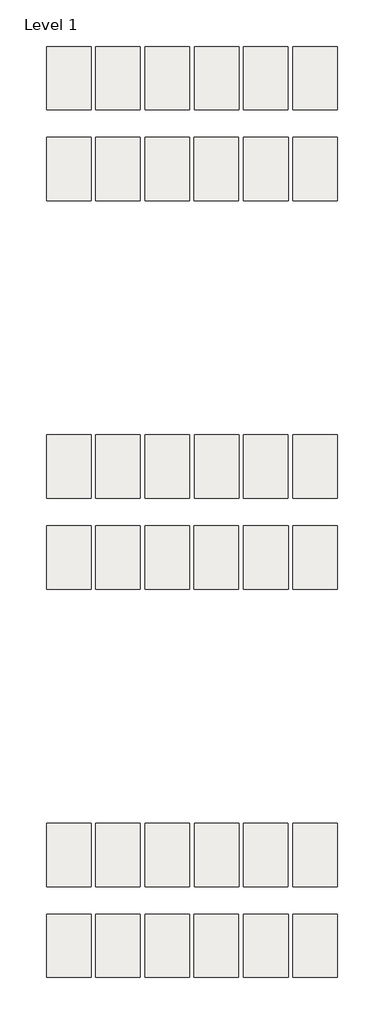
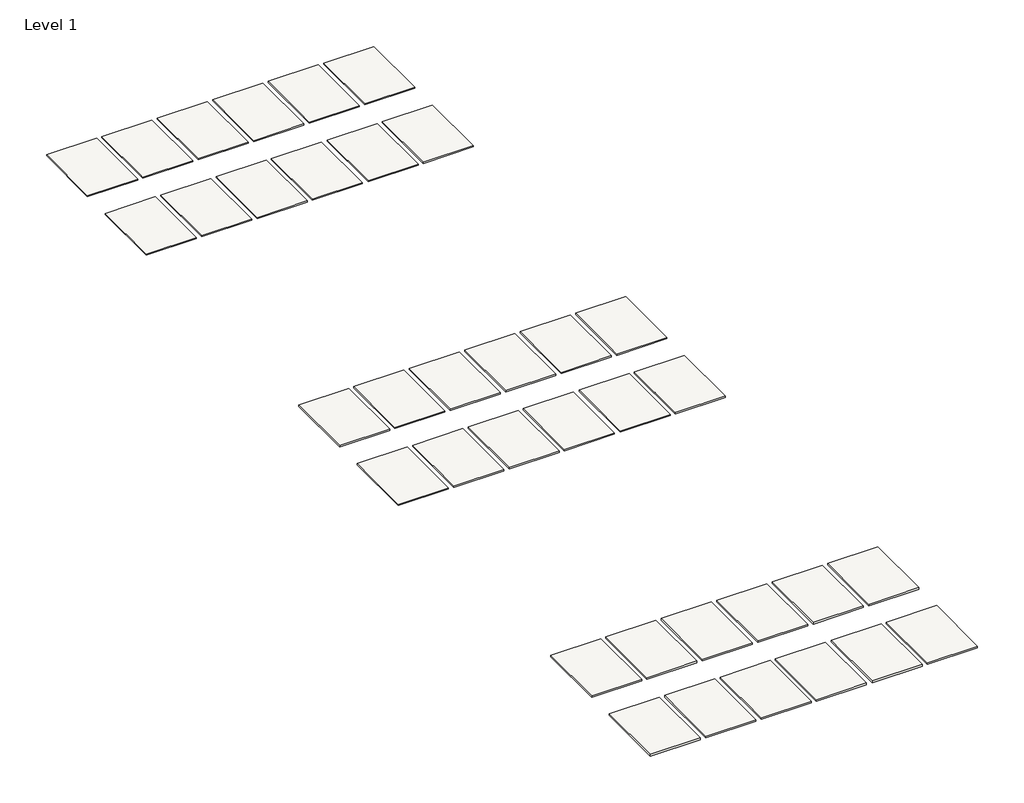
# One storey: 36 slabs.
"""IFC4 building model written with IfcOpenShell, lengths in millimetres."""

import ifcopenshell
import ifcopenshell.guid

model = None  # the IFC model being written
_history = None  # IfcOwnerHistory: only IFC2X3 demands one
_inside = {}  # id of a spatial element -> (the spatial element, [elements in it])
_under = {}  # id of a project, library or spatial element -> (it, [spatial elements below it])
_declared = {}  # id of a project -> (the project, [libraries it declares])
_typed = {}  # id of a type object -> (the type object, [elements of that type])
_made_of = {}  # id of a material, layer set ... -> (it, [elements and type objects made of it])


def new_model(schema):
    """Start an empty IFC model of exactly this schema.

    Asked for "IFC4X3", IfcOpenShell would pick the latest addendum, in which some entities
    have other attributes; the version numbers below select the first issue.
    IFC2X3 requires an IfcOwnerHistory on every rooted entity: one is made here for all.
    """
    global model, _history
    if schema == "IFC4X3":
        model = ifcopenshell.file(schema_version=(4, 3, 0, 0))
    else:
        model = ifcopenshell.file(schema=schema)
    _inside.clear()
    _under.clear()
    _declared.clear()
    _typed.clear()
    _made_of.clear()
    _history = None
    if model.schema == "IFC2X3":
        org = make("IfcOrganization", Name="unknown")
        user = make(
            "IfcPersonAndOrganization",
            ThePerson=make("IfcPerson", FamilyName="unknown"),
            TheOrganization=org,
        )
        app = make(
            "IfcApplication",
            ApplicationDeveloper=org,
            Version="unknown",
            ApplicationFullName="unknown",
            ApplicationIdentifier="unknown",
        )
        _history = make(
            "IfcOwnerHistory",
            OwningUser=user,
            OwningApplication=app,
            ChangeAction="ADDED",
            CreationDate=0,
        )
    return model


def make(cls, **values):
    """One entity of the class cls with the attributes given. An attribute that is None is left unset."""
    return model.create_entity(
        cls, **{name: value for name, value in values.items() if value is not None}
    )


def rooted(cls, **values):
    """An entity with a GlobalId (a new one), such as an element, a storey or a relation."""
    return make(cls, GlobalId=ifcopenshell.guid.new(), OwnerHistory=_history, **values)


def si_unit(unit_type, name, prefix=None):
    """IfcSIUnit, for example si_unit("LENGTHUNIT", "METRE", prefix="MILLI")."""
    return make("IfcSIUnit", UnitType=unit_type, Prefix=prefix, Name=name)


def assignment(units):
    """IfcUnitAssignment: the units of a project."""
    return None if units is None else make("IfcUnitAssignment", Units=units)


def point(xyz):
    """IfcCartesianPoint."""
    return None if xyz is None else make("IfcCartesianPoint", Coordinates=xyz)


def direction(xyz):
    """IfcDirection."""
    return None if xyz is None else make("IfcDirection", DirectionRatios=xyz)


def frame(location, z_axis=None, x_axis=None):
    """IfcAxis2Placement3D, a coordinate frame: its origin and axes. An axis left out is left unset."""
    return make(
        "IfcAxis2Placement3D",
        Location=point(location),
        Axis=direction(z_axis),
        RefDirection=direction(x_axis),
    )


def origin():
    """The frame at (0, 0, 0) with its axes left unset."""
    return frame((0.0, 0.0, 0.0))


def place(relative_to, where):
    """IfcLocalPlacement: puts the frame where relative to a parent placement (None: the world)."""
    return make(
        "IfcLocalPlacement", PlacementRelTo=relative_to, RelativePlacement=where
    )


def context(
    kind, dimensions, precision=None, world=None, true_north=None, identifier=None
):
    """IfcGeometricRepresentationContext, for example the 3D "Model" context."""
    return make(
        "IfcGeometricRepresentationContext",
        ContextIdentifier=identifier,
        ContextType=kind,
        CoordinateSpaceDimension=dimensions,
        Precision=precision,
        WorldCoordinateSystem=world,
        TrueNorth=true_north,
    )


def project(units=None, contexts=None):
    """IfcProject with its units and contexts."""
    return rooted(
        "IfcProject",
        Name="project",
        RepresentationContexts=contexts,
        UnitsInContext=assignment(units),
    )


def spatial(cls, under=None, at=None, **own):
    """A site, building, storey or space (cls), placed at a placement, below another one or the project."""
    s = rooted(cls, ObjectPlacement=at, **own)
    if under is not None:
        _under.setdefault(under.id(), (under, []))[1].append(s)
    return s


def polyline(points):
    """IfcPolyline through the points."""
    return make("IfcPolyline", Points=[point(p) for p in points])


def outline(outer, holes=None, kind="AREA"):
    """IfcArbitraryClosedProfileDef: a profile drawn as a closed curve; with holes, ...WithVoids."""
    if holes is None:
        return make("IfcArbitraryClosedProfileDef", ProfileType=kind, OuterCurve=outer)
    return make(
        "IfcArbitraryProfileDefWithVoids",
        ProfileType=kind,
        OuterCurve=outer,
        InnerCurves=holes,
    )


def extrude(swept, where, along, depth):
    """IfcExtrudedAreaSolid: the profile swept, set in the frame where, extruded along a direction by depth."""
    return make(
        "IfcExtrudedAreaSolid",
        SweptArea=swept,
        Position=where,
        ExtrudedDirection=direction(along),
        Depth=depth,
    )


def shape(context_of_items, identifier, shape_type, items):
    """IfcShapeRepresentation: the items that make up one representation, for example the "Body"."""
    return make(
        "IfcShapeRepresentation",
        ContextOfItems=context_of_items,
        RepresentationIdentifier=identifier,
        RepresentationType=shape_type,
        Items=items,
    )


def made_of(thing, what):
    """Note that an element or type object is made of a material, layer set ...; save() writes the relation."""
    if what is not None:
        _made_of.setdefault(what.id(), (what, []))[1].append(thing)
    return thing


def element(
    cls,
    number,
    at=None,
    inside=None,
    cuts=None,
    type_object=None,
    material=None,
    context=None,
    identifier="Body",
    shape_type=None,
    held_by="IfcProductDefinitionShape",
    body=None,
    shapes=None,
    **own,
):
    """One element of the class cls, such as IfcWall. Its Tag is "e" and its number.

    at: its placement. inside: the storey or other place that contains it. cuts: it is an
    opening in that element (IfcRelVoidsElement). A single representation is given by context,
    identifier, shape_type and body (its items); several are given by shapes. held_by: the class
    of the entity that holds the representations. save() writes the other relations.
    """
    e = rooted(cls, Tag="e%d" % number, ObjectPlacement=at, **own)
    if body is not None:
        shapes = [shape(context, identifier, shape_type, body)]
    if shapes is not None:
        e.Representation = make(held_by, Representations=shapes)
    if inside is not None:
        _inside.setdefault(inside.id(), (inside, []))[1].append(e)
    if cuts is not None:
        rooted(
            "IfcRelVoidsElement", RelatingBuildingElement=cuts, RelatedOpeningElement=e
        )
    if type_object is not None:
        _typed.setdefault(type_object.id(), (type_object, []))[1].append(e)
    return made_of(e, material)


def aggregate(whole, parts):
    """IfcRelAggregates: a whole, such as a stair, and the parts it consists of."""
    return rooted("IfcRelAggregates", RelatingObject=whole, RelatedObjects=parts)


def save(model, path):
    """Write the relations noted so far, then the file.

    IfcRelAggregates (storeys below a building ...), IfcRelContainedInSpatialStructure (elements
    in a storey), IfcRelDefinesByType, IfcRelAssociatesMaterial and IfcRelDeclares: one each for
    every whole, place, type object, material and project.
    """
    for whole, parts in _under.values():
        aggregate(whole, parts)
    for where, things in _inside.values():
        rooted(
            "IfcRelContainedInSpatialStructure",
            RelatedElements=things,
            RelatingStructure=where,
        )
    for kind, things in _typed.values():
        rooted("IfcRelDefinesByType", RelatedObjects=things, RelatingType=kind)
    for what, things in _made_of.values():
        rooted("IfcRelAssociatesMaterial", RelatedObjects=things, RelatingMaterial=what)
    for by, libraries in _declared.values():
        rooted("IfcRelDeclares", RelatingContext=by, RelatedDefinitions=libraries)
    model.write(path)


model = new_model("IFC4")

# Units and contexts
model_context = context("Model", 3, world=origin())
ifc_project = project(units=[si_unit("LENGTHUNIT", "METRE", prefix="MILLI")], contexts=[model_context])

# Site, building, storey
site = spatial("IfcSite", under=ifc_project)
building = spatial("IfcBuilding", under=site)
storey = spatial("IfcBuildingStorey", under=building, Name="Level 1", Elevation=0.0)

# Slabs
placement = place(None, origin())
element("IfcSlab", 1, at=placement, inside=storey, context=model_context, shape_type="SweptSolid", body=[
    extrude(outline(polyline([(-12402.3849329, 3938.5124735), (-12402.3849329, 3443.2124735), (-12751.6349329, 3443.2124735), (-12751.6349329, 3938.5124735), (-12402.3849329, 3938.5124735)])), frame((0.0, 0.0, -8.0367188), z_axis=(0.0, 0.0, 1.0), x_axis=(1.0, 0.0, 0.0)), (0.0, 0.0, 1.0), 8.0367188),
])
element("IfcSlab", 2, at=placement, inside=storey, context=model_context, shape_type="SweptSolid", body=[
    extrude(outline(polyline([(-12016.6224329, 3938.5124735), (-12016.6224329, 3443.2124735), (-12365.8724329, 3443.2124735), (-12365.8724329, 3938.5124735), (-12016.6224329, 3938.5124735)])), frame((0.0, 0.0, -8.0367188), z_axis=(0.0, 0.0, 1.0), x_axis=(1.0, 0.0, 0.0)), (0.0, 0.0, 1.0), 8.0367188),
])
element("IfcSlab", 3, at=placement, inside=storey, context=model_context, shape_type="SweptSolid", body=[
    extrude(outline(polyline([(-11629.2724329, 3938.5124735), (-11629.2724329, 3443.2124735), (-11978.5224329, 3443.2124735), (-11978.5224329, 3938.5124735), (-11629.2724329, 3938.5124735)])), frame((0.0, 0.0, -8.0367188), z_axis=(0.0, 0.0, 1.0), x_axis=(1.0, 0.0, 0.0)), (0.0, 0.0, 1.0), 8.0367188),
])
element("IfcSlab", 4, at=placement, inside=storey, context=model_context, shape_type="SweptSolid", body=[
    extrude(outline(polyline([(-11241.9224329, 3938.5124735), (-11241.9224329, 3443.2124735), (-11591.1724329, 3443.2124735), (-11591.1724329, 3938.5124735), (-11241.9224329, 3938.5124735)])), frame((0.0, 0.0, -8.0367188), z_axis=(0.0, 0.0, 1.0), x_axis=(1.0, 0.0, 0.0)), (0.0, 0.0, 1.0), 8.0367188),
])
element("IfcSlab", 5, at=placement, inside=storey, context=model_context, shape_type="SweptSolid", body=[
    extrude(outline(polyline([(-10854.5724329, 3938.5124735), (-10854.5724329, 3443.2124735), (-11203.8224329, 3443.2124735), (-11203.8224329, 3938.5124735), (-10854.5724329, 3938.5124735)])), frame((0.0, 0.0, -8.0367188), z_axis=(0.0, 0.0, 1.0), x_axis=(1.0, 0.0, 0.0)), (0.0, 0.0, 1.0), 8.0367188),
])
element("IfcSlab", 6, at=placement, inside=storey, context=model_context, shape_type="SweptSolid", body=[
    extrude(outline(polyline([(-10467.2224329, 3938.5124735), (-10467.2224329, 3443.2124735), (-10816.4724329, 3443.2124735), (-10816.4724329, 3938.5124735), (-10467.2224329, 3938.5124735)])), frame((0.0, 0.0, -8.0367188), z_axis=(0.0, 0.0, 1.0), x_axis=(1.0, 0.0, 0.0)), (0.0, 0.0, 1.0), 8.0367188),
])
element("IfcSlab", 7, at=placement, inside=storey, context=model_context, shape_type="SweptSolid", body=[
    extrude(outline(polyline([(-12403.8458024, 3225.0187541), (-12403.8458024, 2729.7187541), (-12753.0958024, 2729.7187541), (-12753.0958024, 3225.0187541), (-12403.8458024, 3225.0187541)])), frame((0.0, 0.0, -8.0367188), z_axis=(0.0, 0.0, 1.0), x_axis=(1.0, 0.0, 0.0)), (0.0, 0.0, 1.0), 8.0367188),
])
element("IfcSlab", 8, at=placement, inside=storey, context=model_context, shape_type="SweptSolid", body=[
    extrude(outline(polyline([(-12016.4958024, 3225.0187541), (-12016.4958024, 2729.7187541), (-12365.7458024, 2729.7187541), (-12365.7458024, 3225.0187541), (-12016.4958024, 3225.0187541)])), frame((0.0, 0.0, -8.0367188), z_axis=(0.0, 0.0, 1.0), x_axis=(1.0, 0.0, 0.0)), (0.0, 0.0, 1.0), 8.0367188),
])
element("IfcSlab", 9, at=placement, inside=storey, context=model_context, shape_type="SweptSolid", body=[
    extrude(outline(polyline([(-11629.1458024, 3225.0187541), (-11629.1458024, 2729.7187541), (-11978.3958024, 2729.7187541), (-11978.3958024, 3225.0187541), (-11629.1458024, 3225.0187541)])), frame((0.0, 0.0, -8.0367188), z_axis=(0.0, 0.0, 1.0), x_axis=(1.0, 0.0, 0.0)), (0.0, 0.0, 1.0), 8.0367188),
])
element("IfcSlab", 10, at=placement, inside=storey, context=model_context, shape_type="SweptSolid", body=[
    extrude(outline(polyline([(-11244.9708024, 3225.0187541), (-11244.9708024, 2729.7187541), (-11594.2208024, 2729.7187541), (-11594.2208024, 3225.0187541), (-11244.9708024, 3225.0187541)])), frame((0.0, 0.0, -8.0367188), z_axis=(0.0, 0.0, 1.0), x_axis=(1.0, 0.0, 0.0)), (0.0, 0.0, 1.0), 8.0367188),
])
element("IfcSlab", 11, at=placement, inside=storey, context=model_context, shape_type="SweptSolid", body=[
    extrude(outline(polyline([(-10854.4458024, 3225.0187541), (-10854.4458024, 2729.7187541), (-11203.6958024, 2729.7187541), (-11203.6958024, 3225.0187541), (-10854.4458024, 3225.0187541)])), frame((0.0, 0.0, -8.0367188), z_axis=(0.0, 0.0, 1.0), x_axis=(1.0, 0.0, 0.0)), (0.0, 0.0, 1.0), 8.0367188),
])
element("IfcSlab", 12, at=placement, inside=storey, context=model_context, shape_type="SweptSolid", body=[
    extrude(outline(polyline([(-10468.6833024, 3225.0187541), (-10468.6833024, 2729.7187541), (-10817.9333024, 2729.7187541), (-10817.9333024, 3225.0187541), (-10468.6833024, 3225.0187541)])), frame((0.0, 0.0, -8.0367188), z_axis=(0.0, 0.0, 1.0), x_axis=(1.0, 0.0, 0.0)), (0.0, 0.0, 1.0), 8.0367188),
])
element("IfcSlab", 13, at=placement, inside=storey, context=model_context, shape_type="SweptSolid", body=[
    extrude(outline(polyline([(-12402.3849329, 890.5124735), (-12402.3849329, 395.2124735), (-12751.6349329, 395.2124735), (-12751.6349329, 890.5124735), (-12402.3849329, 890.5124735)])), frame((0.0, 0.0, -10.0210938), z_axis=(0.0, 0.0, 1.0), x_axis=(1.0, 0.0, 0.0)), (0.0, 0.0, 1.0), 10.0210938),
])
element("IfcSlab", 14, at=placement, inside=storey, context=model_context, shape_type="SweptSolid", body=[
    extrude(outline(polyline([(-12016.6224329, 890.5124735), (-12016.6224329, 395.2124735), (-12365.8724329, 395.2124735), (-12365.8724329, 890.5124735), (-12016.6224329, 890.5124735)])), frame((0.0, 0.0, -10.0210938), z_axis=(0.0, 0.0, 1.0), x_axis=(1.0, 0.0, 0.0)), (0.0, 0.0, 1.0), 10.0210938),
])
element("IfcSlab", 15, at=placement, inside=storey, context=model_context, shape_type="SweptSolid", body=[
    extrude(outline(polyline([(-11629.2724329, 890.5124735), (-11629.2724329, 395.2124735), (-11978.5224329, 395.2124735), (-11978.5224329, 890.5124735), (-11629.2724329, 890.5124735)])), frame((0.0, 0.0, -10.0210938), z_axis=(0.0, 0.0, 1.0), x_axis=(1.0, 0.0, 0.0)), (0.0, 0.0, 1.0), 10.0210938),
])
element("IfcSlab", 16, at=placement, inside=storey, context=model_context, shape_type="SweptSolid", body=[
    extrude(outline(polyline([(-11241.9224329, 890.5124735), (-11241.9224329, 395.2124735), (-11591.1724329, 395.2124735), (-11591.1724329, 890.5124735), (-11241.9224329, 890.5124735)])), frame((0.0, 0.0, -10.0210938), z_axis=(0.0, 0.0, 1.0), x_axis=(1.0, 0.0, 0.0)), (0.0, 0.0, 1.0), 10.0210938),
])
element("IfcSlab", 17, at=placement, inside=storey, context=model_context, shape_type="SweptSolid", body=[
    extrude(outline(polyline([(-10854.5724329, 890.5124735), (-10854.5724329, 395.2124735), (-11203.8224329, 395.2124735), (-11203.8224329, 890.5124735), (-10854.5724329, 890.5124735)])), frame((0.0, 0.0, -10.0210938), z_axis=(0.0, 0.0, 1.0), x_axis=(1.0, 0.0, 0.0)), (0.0, 0.0, 1.0), 10.0210938),
])
element("IfcSlab", 18, at=placement, inside=storey, context=model_context, shape_type="SweptSolid", body=[
    extrude(outline(polyline([(-10467.2224329, 890.5124735), (-10467.2224329, 395.2124735), (-10816.4724329, 395.2124735), (-10816.4724329, 890.5124735), (-10467.2224329, 890.5124735)])), frame((0.0, 0.0, -10.0210938), z_axis=(0.0, 0.0, 1.0), x_axis=(1.0, 0.0, 0.0)), (0.0, 0.0, 1.0), 10.0210938),
])
element("IfcSlab", 19, at=placement, inside=storey, context=model_context, shape_type="SweptSolid", body=[
    extrude(outline(polyline([(-12403.8458024, 177.0187541), (-12403.8458024, -318.2812459), (-12753.0958024, -318.2812459), (-12753.0958024, 177.0187541), (-12403.8458024, 177.0187541)])), frame((0.0, 0.0, -10.0210938), z_axis=(0.0, 0.0, 1.0), x_axis=(1.0, 0.0, 0.0)), (0.0, 0.0, 1.0), 10.0210938),
])
element("IfcSlab", 20, at=placement, inside=storey, context=model_context, shape_type="SweptSolid", body=[
    extrude(outline(polyline([(-12016.4958024, 177.0187541), (-12016.4958024, -318.2812459), (-12365.7458024, -318.2812459), (-12365.7458024, 177.0187541), (-12016.4958024, 177.0187541)])), frame((0.0, 0.0, -10.0210938), z_axis=(0.0, 0.0, 1.0), x_axis=(1.0, 0.0, 0.0)), (0.0, 0.0, 1.0), 10.0210938),
])
element("IfcSlab", 21, at=placement, inside=storey, context=model_context, shape_type="SweptSolid", body=[
    extrude(outline(polyline([(-11629.1458024, 177.0187541), (-11629.1458024, -318.2812459), (-11978.3958024, -318.2812459), (-11978.3958024, 177.0187541), (-11629.1458024, 177.0187541)])), frame((0.0, 0.0, -10.0210938), z_axis=(0.0, 0.0, 1.0), x_axis=(1.0, 0.0, 0.0)), (0.0, 0.0, 1.0), 10.0210938),
])
element("IfcSlab", 22, at=placement, inside=storey, context=model_context, shape_type="SweptSolid", body=[
    extrude(outline(polyline([(-11244.9708024, 177.0187541), (-11244.9708024, -318.2812459), (-11594.2208024, -318.2812459), (-11594.2208024, 177.0187541), (-11244.9708024, 177.0187541)])), frame((0.0, 0.0, -10.0210938), z_axis=(0.0, 0.0, 1.0), x_axis=(1.0, 0.0, 0.0)), (0.0, 0.0, 1.0), 10.0210938),
])
element("IfcSlab", 23, at=placement, inside=storey, context=model_context, shape_type="SweptSolid", body=[
    extrude(outline(polyline([(-10854.4458024, 177.0187541), (-10854.4458024, -318.2812459), (-11203.6958024, -318.2812459), (-11203.6958024, 177.0187541), (-10854.4458024, 177.0187541)])), frame((0.0, 0.0, -10.0210938), z_axis=(0.0, 0.0, 1.0), x_axis=(1.0, 0.0, 0.0)), (0.0, 0.0, 1.0), 10.0210938),
])
element("IfcSlab", 24, at=placement, inside=storey, context=model_context, shape_type="SweptSolid", body=[
    extrude(outline(polyline([(-10468.6833024, 177.0187541), (-10468.6833024, -318.2812459), (-10817.9333024, -318.2812459), (-10817.9333024, 177.0187541), (-10468.6833024, 177.0187541)])), frame((0.0, 0.0, -10.0210938), z_axis=(0.0, 0.0, 1.0), x_axis=(1.0, 0.0, 0.0)), (0.0, 0.0, 1.0), 10.0210938),
])
element("IfcSlab", 25, at=placement, inside=storey, context=model_context, shape_type="SweptSolid", body=[
    extrude(outline(polyline([(-12402.3849329, -2157.4875265), (-12402.3849329, -2652.7875265), (-12751.6349329, -2652.7875265), (-12751.6349329, -2157.4875265), (-12402.3849329, -2157.4875265)])), frame((0.0, 0.0, -12.0054688), z_axis=(0.0, 0.0, 1.0), x_axis=(1.0, 0.0, 0.0)), (0.0, 0.0, 1.0), 12.0054688),
])
element("IfcSlab", 26, at=placement, inside=storey, context=model_context, shape_type="SweptSolid", body=[
    extrude(outline(polyline([(-12016.6224329, -2157.4875265), (-12016.6224329, -2652.7875265), (-12365.8724329, -2652.7875265), (-12365.8724329, -2157.4875265), (-12016.6224329, -2157.4875265)])), frame((0.0, 0.0, -12.0054688), z_axis=(0.0, 0.0, 1.0), x_axis=(1.0, 0.0, 0.0)), (0.0, 0.0, 1.0), 12.0054688),
])
element("IfcSlab", 27, at=placement, inside=storey, context=model_context, shape_type="SweptSolid", body=[
    extrude(outline(polyline([(-11629.2724329, -2157.4875265), (-11629.2724329, -2652.7875265), (-11978.5224329, -2652.7875265), (-11978.5224329, -2157.4875265), (-11629.2724329, -2157.4875265)])), frame((0.0, 0.0, -12.0054688), z_axis=(0.0, 0.0, 1.0), x_axis=(1.0, 0.0, 0.0)), (0.0, 0.0, 1.0), 12.0054688),
])
element("IfcSlab", 28, at=placement, inside=storey, context=model_context, shape_type="SweptSolid", body=[
    extrude(outline(polyline([(-11241.9224329, -2157.4875265), (-11241.9224329, -2652.7875265), (-11591.1724329, -2652.7875265), (-11591.1724329, -2157.4875265), (-11241.9224329, -2157.4875265)])), frame((0.0, 0.0, -12.0054688), z_axis=(0.0, 0.0, 1.0), x_axis=(1.0, 0.0, 0.0)), (0.0, 0.0, 1.0), 12.0054688),
])
element("IfcSlab", 29, at=placement, inside=storey, context=model_context, shape_type="SweptSolid", body=[
    extrude(outline(polyline([(-10854.5724329, -2157.4875265), (-10854.5724329, -2652.7875265), (-11203.8224329, -2652.7875265), (-11203.8224329, -2157.4875265), (-10854.5724329, -2157.4875265)])), frame((0.0, 0.0, -12.0054688), z_axis=(0.0, 0.0, 1.0), x_axis=(1.0, 0.0, 0.0)), (0.0, 0.0, 1.0), 12.0054688),
])
element("IfcSlab", 30, at=placement, inside=storey, context=model_context, shape_type="SweptSolid", body=[
    extrude(outline(polyline([(-10467.2224329, -2157.4875265), (-10467.2224329, -2652.7875265), (-10816.4724329, -2652.7875265), (-10816.4724329, -2157.4875265), (-10467.2224329, -2157.4875265)])), frame((0.0, 0.0, -12.0054688), z_axis=(0.0, 0.0, 1.0), x_axis=(1.0, 0.0, 0.0)), (0.0, 0.0, 1.0), 12.0054688),
])
element("IfcSlab", 31, at=placement, inside=storey, context=model_context, shape_type="SweptSolid", body=[
    extrude(outline(polyline([(-12403.8458024, -2870.9812459), (-12403.8458024, -3366.2812459), (-12753.0958024, -3366.2812459), (-12753.0958024, -2870.9812459), (-12403.8458024, -2870.9812459)])), frame((0.0, 0.0, -12.0054688), z_axis=(0.0, 0.0, 1.0), x_axis=(1.0, 0.0, 0.0)), (0.0, 0.0, 1.0), 12.0054688),
])
element("IfcSlab", 32, at=placement, inside=storey, context=model_context, shape_type="SweptSolid", body=[
    extrude(outline(polyline([(-12016.4958024, -2870.9812459), (-12016.4958024, -3366.2812459), (-12365.7458024, -3366.2812459), (-12365.7458024, -2870.9812459), (-12016.4958024, -2870.9812459)])), frame((0.0, 0.0, -12.0054688), z_axis=(0.0, 0.0, 1.0), x_axis=(1.0, 0.0, 0.0)), (0.0, 0.0, 1.0), 12.0054688),
])
element("IfcSlab", 33, at=placement, inside=storey, context=model_context, shape_type="SweptSolid", body=[
    extrude(outline(polyline([(-11629.1458024, -2870.9812459), (-11629.1458024, -3366.2812459), (-11978.3958024, -3366.2812459), (-11978.3958024, -2870.9812459), (-11629.1458024, -2870.9812459)])), frame((0.0, 0.0, -12.0054688), z_axis=(0.0, 0.0, 1.0), x_axis=(1.0, 0.0, 0.0)), (0.0, 0.0, 1.0), 12.0054688),
])
element("IfcSlab", 34, at=placement, inside=storey, context=model_context, shape_type="SweptSolid", body=[
    extrude(outline(polyline([(-11244.9708024, -2870.9812459), (-11244.9708024, -3366.2812459), (-11594.2208024, -3366.2812459), (-11594.2208024, -2870.9812459), (-11244.9708024, -2870.9812459)])), frame((0.0, 0.0, -12.0054688), z_axis=(0.0, 0.0, 1.0), x_axis=(1.0, 0.0, 0.0)), (0.0, 0.0, 1.0), 12.0054688),
])
element("IfcSlab", 35, at=placement, inside=storey, context=model_context, shape_type="SweptSolid", body=[
    extrude(outline(polyline([(-10854.4458024, -2870.9812459), (-10854.4458024, -3366.2812459), (-11203.6958024, -3366.2812459), (-11203.6958024, -2870.9812459), (-10854.4458024, -2870.9812459)])), frame((0.0, 0.0, -12.0054688), z_axis=(0.0, 0.0, 1.0), x_axis=(1.0, 0.0, 0.0)), (0.0, 0.0, 1.0), 12.0054688),
])
element("IfcSlab", 36, at=placement, inside=storey, context=model_context, shape_type="SweptSolid", body=[
    extrude(outline(polyline([(-10468.6833024, -2870.9812459), (-10468.6833024, -3366.2812459), (-10817.9333024, -3366.2812459), (-10817.9333024, -2870.9812459), (-10468.6833024, -2870.9812459)])), frame((0.0, 0.0, -12.0054688), z_axis=(0.0, 0.0, 1.0), x_axis=(1.0, 0.0, 0.0)), (0.0, 0.0, 1.0), 12.0054688),
])

save(model, "model.ifc")
